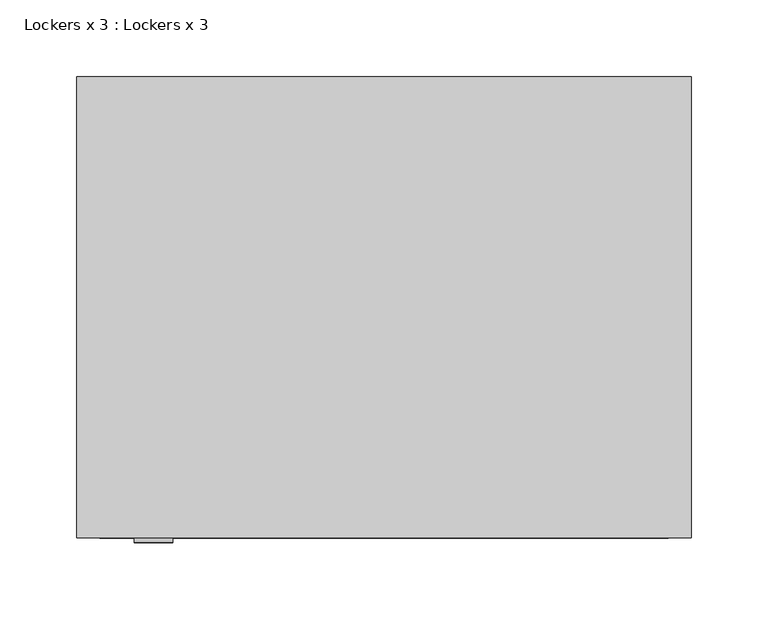
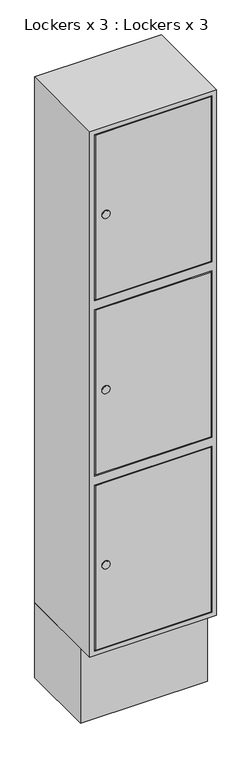
"""IFC4 building model written with IfcOpenShell, lengths in millimetres: furniture geometry, Lockers x 3 : Lockers x 3."""

from ifc_helpers import new_model, si_unit, point, frame, frame_2d, origin, origin_with_axes, place, context, project, spatial, polyline, circle_curve, trimmed, segment, composite_curve, outline, extrude, source, transform, mapped, element, save


def lockers_x_3_lockers_x_3_637f5738(model_context):
    return source(origin(), model_context, "Body", "SweptSolid", [
        extrude(outline(composite_curve([segment(trimmed(circle_curve(frame_2d((1708.3333333, -304.1786808)), 12.5), [point((1708.3333333, -316.6786808))], [point((1708.3333333, -291.6786808))], False, "CARTESIAN"), True, "CONTINUOUS"), segment(trimmed(circle_curve(frame_2d((1708.3333333, -304.1786808)), 12.5), [point((1708.3333333, -291.6786808))], [point((1708.3333333, -316.6786808))], False, "CARTESIAN"), True, "CONTINUOUS")], self_intersect=False)), frame((0.0, 147.0, 0.0), z_axis=(0.0, 1.0, 0.0), x_axis=(0.0, 0.0, 1.0)), (0.0, 0.0, 1.0), 3.0),
        extrude(outline(composite_curve([segment(trimmed(circle_curve(frame_2d((1125.0, -304.1786808)), 12.5), [point((1125.0, -316.6786808))], [point((1125.0, -291.6786808))], False, "CARTESIAN"), True, "CONTINUOUS"), segment(trimmed(circle_curve(frame_2d((1125.0, -304.1786808)), 12.5), [point((1125.0, -291.6786808))], [point((1125.0, -316.6786808))], False, "CARTESIAN"), True, "CONTINUOUS")], self_intersect=False)), frame((0.0, 147.0, 0.0), z_axis=(0.0, 1.0, 0.0), x_axis=(0.0, 0.0, 1.0)), (0.0, 0.0, 1.0), 3.0),
        extrude(outline(composite_curve([segment(trimmed(circle_curve(frame_2d((541.6666667, -304.1786808)), 12.5), [point((541.6666667, -316.6786808))], [point((541.6666667, -291.6786808))], False, "CARTESIAN"), True, "CONTINUOUS"), segment(trimmed(circle_curve(frame_2d((541.6666667, -304.1786808)), 12.5), [point((541.6666667, -291.6786808))], [point((541.6666667, -316.6786808))], False, "CARTESIAN"), True, "CONTINUOUS")], self_intersect=False)), frame((0.0, 147.0, 0.0), z_axis=(0.0, 1.0, 0.0), x_axis=(0.0, 0.0, 1.0)), (0.0, 0.0, 1.0), 3.0),
        extrude(outline(polyline([(27.8213192, 150.0), (-336.1786808, 150.0), (-336.1786808, 165.0), (27.8213192, 165.0), (27.8213192, 150.0)])), frame((0.0, 0.0, 1434.6666667), z_axis=(0.0, 0.0, 1.0), x_axis=(1.0, 0.0, 0.0)), (0.0, 0.0, 1.0), 547.3333333),
        extrude(outline(polyline([(27.8213192, 150.0), (-336.1786808, 150.0), (-336.1786808, 165.0), (27.8213192, 165.0), (27.8213192, 150.0)])), frame((0.0, 0.0, 851.3333333), z_axis=(0.0, 0.0, 1.0), x_axis=(1.0, 0.0, 0.0)), (0.0, 0.0, 1.0), 547.3333333),
        extrude(outline(polyline([(27.8213192, 150.0), (-336.1786808, 150.0), (-336.1786808, 165.0), (27.8213192, 165.0), (27.8213192, 150.0)])), frame((0.0, 0.0, 268.0), z_axis=(0.0, 0.0, 1.0), x_axis=(1.0, 0.0, 0.0)), (0.0, 0.0, 1.0), 547.3333333),
        extrude(outline(polyline([(250.0, 45.8213192), (2000.0, 45.8213192), (2000.0, -354.1786808), (250.0, -354.1786808), (250.0, 45.8213192)]), holes=[polyline([(265.0, 30.8213192), (265.0, -339.1786808), (818.3333333, -339.1786808), (818.3333333, 30.8213192), (265.0, 30.8213192)]), polyline([(848.3333333, 30.8213192), (848.3333333, -339.1786808), (1401.6666667, -339.1786808), (1401.6666667, 30.8213192), (848.3333333, 30.8213192)]), polyline([(1431.6666667, 30.8213192), (1431.6666667, -339.1786808), (1985.0, -339.1786808), (1985.0, 30.8213192), (1431.6666667, 30.8213192)])]), frame((0.0, 150.0, 0.0), z_axis=(0.0, 1.0, 0.0), x_axis=(0.0, 0.0, 1.0)), (0.0, 0.0, 1.0), 300.0),
        extrude(outline(polyline([(45.8213192, 450.0), (45.8213192, 200.0), (-354.1786808, 200.0), (-354.1786808, 450.0), (45.8213192, 450.0)])), origin_with_axes(), (0.0, 0.0, 1.0), 250.0),
    ])


if __name__ == "__main__":
    model = new_model("IFC4")
    model_context = context("Model", 3, world=origin())
    ifc_project = project(units=[si_unit("LENGTHUNIT", "METRE", prefix="MILLI")], contexts=[model_context])
    site = spatial("IfcSite", under=ifc_project)
    building = spatial("IfcBuilding", under=site)
    placement = place(None, origin())
    lockers_x_3_lockers_x_3_shape = lockers_x_3_lockers_x_3_637f5738(model_context)
    element("IfcFurniture", 1, ObjectType="Lockers x 3 : Lockers x 3", at=placement, inside=building, context=model_context, shape_type="MappedRepresentation", body=[
        mapped(lockers_x_3_lockers_x_3_shape, transform((0.0, 0.0, 0.0), x_axis=(1.0, 0.0, 0.0), y_axis=(0.0, 1.0, 0.0), z_axis=(0.0, 0.0, 1.0))),
    ])
    save(model, "model.ifc")
